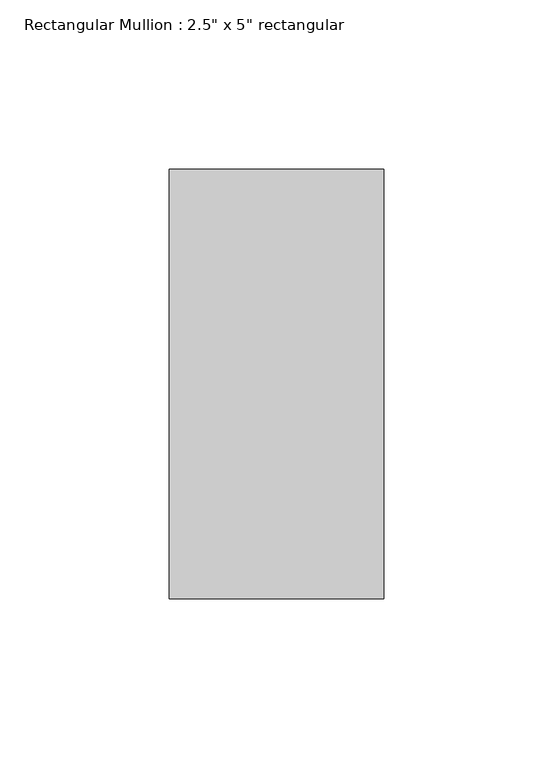
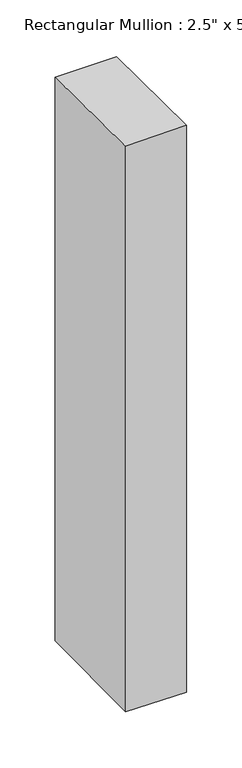
"""IFC4 building model written with IfcOpenShell, lengths in millimetres: member geometry."""

import ifcopenshell
import ifcopenshell.guid

model = None  # the IFC model being written
_history = None  # IfcOwnerHistory: only IFC2X3 demands one
_inside = {}  # id of a spatial element -> (the spatial element, [elements in it])
_under = {}  # id of a project, library or spatial element -> (it, [spatial elements below it])
_declared = {}  # id of a project -> (the project, [libraries it declares])
_typed = {}  # id of a type object -> (the type object, [elements of that type])
_made_of = {}  # id of a material, layer set ... -> (it, [elements and type objects made of it])


def new_model(schema):
    """Start an empty IFC model of exactly this schema.

    Asked for "IFC4X3", IfcOpenShell would pick the latest addendum, in which some entities
    have other attributes; the version numbers below select the first issue.
    IFC2X3 requires an IfcOwnerHistory on every rooted entity: one is made here for all.
    """
    global model, _history
    if schema == "IFC4X3":
        model = ifcopenshell.file(schema_version=(4, 3, 0, 0))
    else:
        model = ifcopenshell.file(schema=schema)
    _inside.clear()
    _under.clear()
    _declared.clear()
    _typed.clear()
    _made_of.clear()
    _history = None
    if model.schema == "IFC2X3":
        org = make("IfcOrganization", Name="unknown")
        user = make(
            "IfcPersonAndOrganization",
            ThePerson=make("IfcPerson", FamilyName="unknown"),
            TheOrganization=org,
        )
        app = make(
            "IfcApplication",
            ApplicationDeveloper=org,
            Version="unknown",
            ApplicationFullName="unknown",
            ApplicationIdentifier="unknown",
        )
        _history = make(
            "IfcOwnerHistory",
            OwningUser=user,
            OwningApplication=app,
            ChangeAction="ADDED",
            CreationDate=0,
        )
    return model


def make(cls, **values):
    """One entity of the class cls with the attributes given. An attribute that is None is left unset."""
    return model.create_entity(
        cls, **{name: value for name, value in values.items() if value is not None}
    )


def rooted(cls, **values):
    """An entity with a GlobalId (a new one), such as an element, a storey or a relation."""
    return make(cls, GlobalId=ifcopenshell.guid.new(), OwnerHistory=_history, **values)


def si_unit(unit_type, name, prefix=None):
    """IfcSIUnit, for example si_unit("LENGTHUNIT", "METRE", prefix="MILLI")."""
    return make("IfcSIUnit", UnitType=unit_type, Prefix=prefix, Name=name)


def assignment(units):
    """IfcUnitAssignment: the units of a project."""
    return None if units is None else make("IfcUnitAssignment", Units=units)


def point(xyz):
    """IfcCartesianPoint."""
    return None if xyz is None else make("IfcCartesianPoint", Coordinates=xyz)


def direction(xyz):
    """IfcDirection."""
    return None if xyz is None else make("IfcDirection", DirectionRatios=xyz)


def frame(location, z_axis=None, x_axis=None):
    """IfcAxis2Placement3D, a coordinate frame: its origin and axes. An axis left out is left unset."""
    return make(
        "IfcAxis2Placement3D",
        Location=point(location),
        Axis=direction(z_axis),
        RefDirection=direction(x_axis),
    )


def origin():
    """The frame at (0, 0, 0) with its axes left unset."""
    return frame((0.0, 0.0, 0.0))


def place(relative_to, where):
    """IfcLocalPlacement: puts the frame where relative to a parent placement (None: the world)."""
    return make(
        "IfcLocalPlacement", PlacementRelTo=relative_to, RelativePlacement=where
    )


def context(
    kind, dimensions, precision=None, world=None, true_north=None, identifier=None
):
    """IfcGeometricRepresentationContext, for example the 3D "Model" context."""
    return make(
        "IfcGeometricRepresentationContext",
        ContextIdentifier=identifier,
        ContextType=kind,
        CoordinateSpaceDimension=dimensions,
        Precision=precision,
        WorldCoordinateSystem=world,
        TrueNorth=true_north,
    )


def project(units=None, contexts=None):
    """IfcProject with its units and contexts."""
    return rooted(
        "IfcProject",
        Name="project",
        RepresentationContexts=contexts,
        UnitsInContext=assignment(units),
    )


def spatial(cls, under=None, at=None, **own):
    """A site, building, storey or space (cls), placed at a placement, below another one or the project."""
    s = rooted(cls, ObjectPlacement=at, **own)
    if under is not None:
        _under.setdefault(under.id(), (under, []))[1].append(s)
    return s


def faces_of(points, faces, orient=None, outer=None):
    """IfcFace entities. A face is a list of loops; a loop is a list of indices into points, from 0.

    orient and outer hold one flag for each loop. By default every Orientation is true, the
    first loop of a face is its IfcFaceOuterBound and the others are IfcFaceBound.
    """
    made = []
    for i, loops in enumerate(faces):
        bounds = []
        for j, loop in enumerate(loops):
            is_outer = j == 0 if outer is None else outer[i][j]
            bounds.append(
                make(
                    "IfcFaceOuterBound" if is_outer else "IfcFaceBound",
                    Bound=make("IfcPolyLoop", Polygon=[points[k] for k in loop]),
                    Orientation=True if orient is None else orient[i][j],
                )
            )
        made.append(make("IfcFace", Bounds=bounds))
    return made


def faceted_brep(points, faces, orient=None, outer=None, voids=None):
    """IfcFacetedBrep: a solid bounded by flat faces; with voids (closed shells), ...WithVoids."""
    shared = [point(p) for p in points]
    hull = make("IfcClosedShell", CfsFaces=faces_of(shared, faces, orient, outer))
    if voids is None:
        return make("IfcFacetedBrep", Outer=hull)
    return make(
        "IfcFacetedBrepWithVoids",
        Outer=hull,
        Voids=[
            make(cls, CfsFaces=faces_of(shared, fs, o, b)) for cls, fs, o, b in voids
        ],
    )


def shape(context_of_items, identifier, shape_type, items):
    """IfcShapeRepresentation: the items that make up one representation, for example the "Body"."""
    return make(
        "IfcShapeRepresentation",
        ContextOfItems=context_of_items,
        RepresentationIdentifier=identifier,
        RepresentationType=shape_type,
        Items=items,
    )


def source(mapping_origin, context_of_items, identifier, shape_type, items):
    """IfcRepresentationMap: a shape defined once, which mapped items show again and again."""
    return make(
        "IfcRepresentationMap",
        MappingOrigin=mapping_origin,
        MappedRepresentation=shape(context_of_items, identifier, shape_type, items),
    )


def transform(
    local_origin,
    x_axis=None,
    y_axis=None,
    z_axis=None,
    scale=None,
    scale2=None,
    scale3=None,
    uniform=True,
):
    """IfcCartesianTransformationOperator3D, or its non-uniform kind. x_axis, y_axis, z_axis: its Axis1, 2, 3."""
    if uniform:
        return make(
            "IfcCartesianTransformationOperator3D",
            Axis1=direction(x_axis),
            Axis2=direction(y_axis),
            LocalOrigin=point(local_origin),
            Scale=scale,
            Axis3=direction(z_axis),
        )
    return make(
        "IfcCartesianTransformationOperator3DnonUniform",
        Axis1=direction(x_axis),
        Axis2=direction(y_axis),
        LocalOrigin=point(local_origin),
        Scale=scale,
        Axis3=direction(z_axis),
        Scale2=scale2,
        Scale3=scale3,
    )


def mapped(mapping_source, mapping_target):
    """IfcMappedItem: shows the shape of a source again, moved by a transform."""
    return make(
        "IfcMappedItem", MappingSource=mapping_source, MappingTarget=mapping_target
    )


def made_of(thing, what):
    """Note that an element or type object is made of a material, layer set ...; save() writes the relation."""
    if what is not None:
        _made_of.setdefault(what.id(), (what, []))[1].append(thing)
    return thing


def element(
    cls,
    number,
    at=None,
    inside=None,
    cuts=None,
    type_object=None,
    material=None,
    context=None,
    identifier="Body",
    shape_type=None,
    held_by="IfcProductDefinitionShape",
    body=None,
    shapes=None,
    **own,
):
    """One element of the class cls, such as IfcWall. Its Tag is "e" and its number.

    at: its placement. inside: the storey or other place that contains it. cuts: it is an
    opening in that element (IfcRelVoidsElement). A single representation is given by context,
    identifier, shape_type and body (its items); several are given by shapes. held_by: the class
    of the entity that holds the representations. save() writes the other relations.
    """
    e = rooted(cls, Tag="e%d" % number, ObjectPlacement=at, **own)
    if body is not None:
        shapes = [shape(context, identifier, shape_type, body)]
    if shapes is not None:
        e.Representation = make(held_by, Representations=shapes)
    if inside is not None:
        _inside.setdefault(inside.id(), (inside, []))[1].append(e)
    if cuts is not None:
        rooted(
            "IfcRelVoidsElement", RelatingBuildingElement=cuts, RelatedOpeningElement=e
        )
    if type_object is not None:
        _typed.setdefault(type_object.id(), (type_object, []))[1].append(e)
    return made_of(e, material)


def aggregate(whole, parts):
    """IfcRelAggregates: a whole, such as a stair, and the parts it consists of."""
    return rooted("IfcRelAggregates", RelatingObject=whole, RelatedObjects=parts)


def save(model, path):
    """Write the relations noted so far, then the file.

    IfcRelAggregates (storeys below a building ...), IfcRelContainedInSpatialStructure (elements
    in a storey), IfcRelDefinesByType, IfcRelAssociatesMaterial and IfcRelDeclares: one each for
    every whole, place, type object, material and project.
    """
    for whole, parts in _under.values():
        aggregate(whole, parts)
    for where, things in _inside.values():
        rooted(
            "IfcRelContainedInSpatialStructure",
            RelatedElements=things,
            RelatingStructure=where,
        )
    for kind, things in _typed.values():
        rooted("IfcRelDefinesByType", RelatedObjects=things, RelatingType=kind)
    for what, things in _made_of.values():
        rooted("IfcRelAssociatesMaterial", RelatedObjects=things, RelatingMaterial=what)
    for by, libraries in _declared.values():
        rooted("IfcRelDeclares", RelatingContext=by, RelatedDefinitions=libraries)
    model.write(path)


def member_eccf3af4(model_context):
    return source(origin(), model_context, "Body", "Brep", [
        faceted_brep([(-63.5, 63.5, -1.2080068), (0.0, 63.5, -0.7386641), (0.0, 63.5, -621.314814), (-63.5, 63.5, -620.73169), (-63.5, -63.5, 0.2693215), (-63.5, -63.5, -622.2189546), (0.0, -63.5, 0.7386641), (0.0, -63.5, -622.8020786)], [[[0, 1, 2, 3]], [[4, 0, 3, 5]], [[6, 4, 5, 7]], [[1, 6, 7, 2]], [[1, 0, 4, 6]], [[2, 7, 5, 3]]]),
    ])


if __name__ == "__main__":
    model = new_model("IFC4")
    model_context = context("Model", 3, world=origin())
    ifc_project = project(units=[si_unit("LENGTHUNIT", "METRE", prefix="MILLI")], contexts=[model_context])
    site = spatial("IfcSite", under=ifc_project)
    building = spatial("IfcBuilding", under=site)
    placement = place(None, origin())
    member_shape = member_eccf3af4(model_context)
    element("IfcMember", 1, ObjectType="Rectangular Mullion : 2.5\" x 5\" rectangular", at=placement, inside=building, context=model_context, shape_type="MappedRepresentation", body=[
        mapped(member_shape, transform((0.0, 0.0, 0.0), x_axis=(1.0, 0.0, 0.0), y_axis=(0.0, 1.0, 0.0), z_axis=(0.0, 0.0, 1.0))),
    ])
    save(model, "model.ifc")
